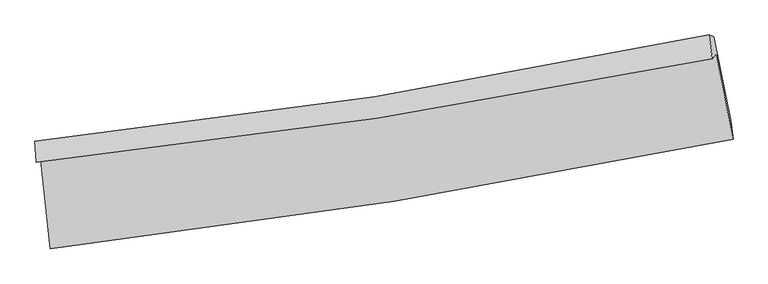
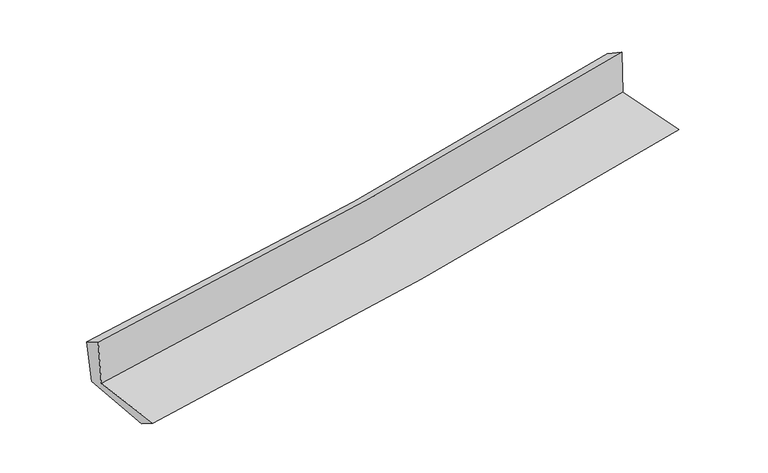
"""IFC4 building model written with IfcOpenShell, lengths in millimetres: proxy geometry."""

import ifcopenshell
import ifcopenshell.guid

model = None  # the IFC model being written
_history = None  # IfcOwnerHistory: only IFC2X3 demands one
_inside = {}  # id of a spatial element -> (the spatial element, [elements in it])
_under = {}  # id of a project, library or spatial element -> (it, [spatial elements below it])
_declared = {}  # id of a project -> (the project, [libraries it declares])
_typed = {}  # id of a type object -> (the type object, [elements of that type])
_made_of = {}  # id of a material, layer set ... -> (it, [elements and type objects made of it])


def new_model(schema):
    """Start an empty IFC model of exactly this schema.

    Asked for "IFC4X3", IfcOpenShell would pick the latest addendum, in which some entities
    have other attributes; the version numbers below select the first issue.
    IFC2X3 requires an IfcOwnerHistory on every rooted entity: one is made here for all.
    """
    global model, _history
    if schema == "IFC4X3":
        model = ifcopenshell.file(schema_version=(4, 3, 0, 0))
    else:
        model = ifcopenshell.file(schema=schema)
    _inside.clear()
    _under.clear()
    _declared.clear()
    _typed.clear()
    _made_of.clear()
    _history = None
    if model.schema == "IFC2X3":
        org = make("IfcOrganization", Name="unknown")
        user = make(
            "IfcPersonAndOrganization",
            ThePerson=make("IfcPerson", FamilyName="unknown"),
            TheOrganization=org,
        )
        app = make(
            "IfcApplication",
            ApplicationDeveloper=org,
            Version="unknown",
            ApplicationFullName="unknown",
            ApplicationIdentifier="unknown",
        )
        _history = make(
            "IfcOwnerHistory",
            OwningUser=user,
            OwningApplication=app,
            ChangeAction="ADDED",
            CreationDate=0,
        )
    return model


def make(cls, **values):
    """One entity of the class cls with the attributes given. An attribute that is None is left unset."""
    return model.create_entity(
        cls, **{name: value for name, value in values.items() if value is not None}
    )


def rooted(cls, **values):
    """An entity with a GlobalId (a new one), such as an element, a storey or a relation."""
    return make(cls, GlobalId=ifcopenshell.guid.new(), OwnerHistory=_history, **values)


def si_unit(unit_type, name, prefix=None):
    """IfcSIUnit, for example si_unit("LENGTHUNIT", "METRE", prefix="MILLI")."""
    return make("IfcSIUnit", UnitType=unit_type, Prefix=prefix, Name=name)


def assignment(units):
    """IfcUnitAssignment: the units of a project."""
    return None if units is None else make("IfcUnitAssignment", Units=units)


def point(xyz):
    """IfcCartesianPoint."""
    return None if xyz is None else make("IfcCartesianPoint", Coordinates=xyz)


def direction(xyz):
    """IfcDirection."""
    return None if xyz is None else make("IfcDirection", DirectionRatios=xyz)


def frame(location, z_axis=None, x_axis=None):
    """IfcAxis2Placement3D, a coordinate frame: its origin and axes. An axis left out is left unset."""
    return make(
        "IfcAxis2Placement3D",
        Location=point(location),
        Axis=direction(z_axis),
        RefDirection=direction(x_axis),
    )


def origin():
    """The frame at (0, 0, 0) with its axes left unset."""
    return frame((0.0, 0.0, 0.0))


def place(relative_to, where):
    """IfcLocalPlacement: puts the frame where relative to a parent placement (None: the world)."""
    return make(
        "IfcLocalPlacement", PlacementRelTo=relative_to, RelativePlacement=where
    )


def context(
    kind, dimensions, precision=None, world=None, true_north=None, identifier=None
):
    """IfcGeometricRepresentationContext, for example the 3D "Model" context."""
    return make(
        "IfcGeometricRepresentationContext",
        ContextIdentifier=identifier,
        ContextType=kind,
        CoordinateSpaceDimension=dimensions,
        Precision=precision,
        WorldCoordinateSystem=world,
        TrueNorth=true_north,
    )


def project(units=None, contexts=None):
    """IfcProject with its units and contexts."""
    return rooted(
        "IfcProject",
        Name="project",
        RepresentationContexts=contexts,
        UnitsInContext=assignment(units),
    )


def spatial(cls, under=None, at=None, **own):
    """A site, building, storey or space (cls), placed at a placement, below another one or the project."""
    s = rooted(cls, ObjectPlacement=at, **own)
    if under is not None:
        _under.setdefault(under.id(), (under, []))[1].append(s)
    return s


def shape(context_of_items, identifier, shape_type, items):
    """IfcShapeRepresentation: the items that make up one representation, for example the "Body"."""
    return make(
        "IfcShapeRepresentation",
        ContextOfItems=context_of_items,
        RepresentationIdentifier=identifier,
        RepresentationType=shape_type,
        Items=items,
    )


def source(mapping_origin, context_of_items, identifier, shape_type, items):
    """IfcRepresentationMap: a shape defined once, which mapped items show again and again."""
    return make(
        "IfcRepresentationMap",
        MappingOrigin=mapping_origin,
        MappedRepresentation=shape(context_of_items, identifier, shape_type, items),
    )


def transform(
    local_origin,
    x_axis=None,
    y_axis=None,
    z_axis=None,
    scale=None,
    scale2=None,
    scale3=None,
    uniform=True,
):
    """IfcCartesianTransformationOperator3D, or its non-uniform kind. x_axis, y_axis, z_axis: its Axis1, 2, 3."""
    if uniform:
        return make(
            "IfcCartesianTransformationOperator3D",
            Axis1=direction(x_axis),
            Axis2=direction(y_axis),
            LocalOrigin=point(local_origin),
            Scale=scale,
            Axis3=direction(z_axis),
        )
    return make(
        "IfcCartesianTransformationOperator3DnonUniform",
        Axis1=direction(x_axis),
        Axis2=direction(y_axis),
        LocalOrigin=point(local_origin),
        Scale=scale,
        Axis3=direction(z_axis),
        Scale2=scale2,
        Scale3=scale3,
    )


def mapped(mapping_source, mapping_target):
    """IfcMappedItem: shows the shape of a source again, moved by a transform."""
    return make(
        "IfcMappedItem", MappingSource=mapping_source, MappingTarget=mapping_target
    )


def made_of(thing, what):
    """Note that an element or type object is made of a material, layer set ...; save() writes the relation."""
    if what is not None:
        _made_of.setdefault(what.id(), (what, []))[1].append(thing)
    return thing


def element(
    cls,
    number,
    at=None,
    inside=None,
    cuts=None,
    type_object=None,
    material=None,
    context=None,
    identifier="Body",
    shape_type=None,
    held_by="IfcProductDefinitionShape",
    body=None,
    shapes=None,
    **own,
):
    """One element of the class cls, such as IfcWall. Its Tag is "e" and its number.

    at: its placement. inside: the storey or other place that contains it. cuts: it is an
    opening in that element (IfcRelVoidsElement). A single representation is given by context,
    identifier, shape_type and body (its items); several are given by shapes. held_by: the class
    of the entity that holds the representations. save() writes the other relations.
    """
    e = rooted(cls, Tag="e%d" % number, ObjectPlacement=at, **own)
    if body is not None:
        shapes = [shape(context, identifier, shape_type, body)]
    if shapes is not None:
        e.Representation = make(held_by, Representations=shapes)
    if inside is not None:
        _inside.setdefault(inside.id(), (inside, []))[1].append(e)
    if cuts is not None:
        rooted(
            "IfcRelVoidsElement", RelatingBuildingElement=cuts, RelatedOpeningElement=e
        )
    if type_object is not None:
        _typed.setdefault(type_object.id(), (type_object, []))[1].append(e)
    return made_of(e, material)


def aggregate(whole, parts):
    """IfcRelAggregates: a whole, such as a stair, and the parts it consists of."""
    return rooted("IfcRelAggregates", RelatingObject=whole, RelatedObjects=parts)


def save(model, path):
    """Write the relations noted so far, then the file.

    IfcRelAggregates (storeys below a building ...), IfcRelContainedInSpatialStructure (elements
    in a storey), IfcRelDefinesByType, IfcRelAssociatesMaterial and IfcRelDeclares: one each for
    every whole, place, type object, material and project.
    """
    for whole, parts in _under.values():
        aggregate(whole, parts)
    for where, things in _inside.values():
        rooted(
            "IfcRelContainedInSpatialStructure",
            RelatedElements=things,
            RelatingStructure=where,
        )
    for kind, things in _typed.values():
        rooted("IfcRelDefinesByType", RelatedObjects=things, RelatingType=kind)
    for what, things in _made_of.values():
        rooted("IfcRelAssociatesMaterial", RelatedObjects=things, RelatingMaterial=what)
    for by, libraries in _declared.values():
        rooted("IfcRelDeclares", RelatingContext=by, RelatedDefinitions=libraries)
    model.write(path)


def plane_surface(at):
    """IfcPlane: the flat surface through the origin of the frame at, square to its z axis."""
    return make("IfcPlane", Position=at)


def spline_curve(degree, points, multiplicities, knots, weights=None):
    """IfcBSplineCurveWithKnots; with weights, IfcRationalBSplineCurveWithKnots."""
    own = dict(
        Degree=degree,
        ControlPointsList=[point(p) for p in points],
        CurveForm="UNSPECIFIED",
        ClosedCurve=False,
        SelfIntersect=False,
        KnotMultiplicities=multiplicities,
        Knots=knots,
        KnotSpec="UNSPECIFIED",
    )
    if weights is None:
        return make("IfcBSplineCurveWithKnots", **own)
    return make("IfcRationalBSplineCurveWithKnots", WeightsData=weights, **own)


def spline_surface(u_degree, v_degree, points, u_multiplicities, v_multiplicities, u_knots, v_knots, weights=None):
    """IfcBSplineSurfaceWithKnots; with weights, IfcRationalBSplineSurfaceWithKnots. points: one row for each step in u."""
    own = dict(
        UDegree=u_degree,
        VDegree=v_degree,
        ControlPointsList=[[point(p) for p in row] for row in points],
        SurfaceForm="UNSPECIFIED",
        UClosed=False,
        VClosed=False,
        SelfIntersect=False,
        UMultiplicities=u_multiplicities,
        VMultiplicities=v_multiplicities,
        UKnots=u_knots,
        VKnots=v_knots,
        KnotSpec="UNSPECIFIED",
    )
    if weights is None:
        return make("IfcBSplineSurfaceWithKnots", **own)
    return make("IfcRationalBSplineSurfaceWithKnots", WeightsData=weights, **own)


def advanced_brep(points, edges, surfaces, faces):
    """IfcAdvancedBrep: a solid bounded by faces that lie on surfaces and meet in shared edges.

    An edge is (start, end): straight between two places in points (the first is 0);
    or (start, end, curve); or (start, end, curve, False) where it runs against its curve.
    A face is (place in surfaces, loops), or (place, loops, False) where it looks against
    its surface's normal. A loop lists edges by number (the first is 1), with a minus sign
    where the edge is run from its end to its start. The first loop is the outer one.
    """
    corners = [point(p) for p in points]
    vertices = [make("IfcVertexPoint", VertexGeometry=c) for c in corners]
    made = []
    for start, end, *more in edges:
        made.append(
            make(
                "IfcEdgeCurve",
                EdgeStart=vertices[start],
                EdgeEnd=vertices[end],
                EdgeGeometry=more[0] if more else make("IfcPolyline", Points=[corners[start], corners[end]]),
                SameSense=more[1] if len(more) > 1 else True,
            )
        )
    hull = []
    for where, loops, *sense in faces:
        bounds = []
        for j, loop in enumerate(loops):
            ring = [make("IfcOrientedEdge", EdgeElement=made[abs(k) - 1], Orientation=k > 0) for k in loop]
            bounds.append(
                make(
                    "IfcFaceOuterBound" if j == 0 else "IfcFaceBound",
                    Bound=make("IfcEdgeLoop", EdgeList=ring),
                    Orientation=True,
                )
            )
        hull.append(make("IfcAdvancedFace", Bounds=bounds, FaceSurface=surfaces[where], SameSense=sense[0] if sense else True))
    return make("IfcAdvancedBrep", Outer=make("IfcClosedShell", CfsFaces=hull))


def generic_models_6c41399b(model_context):
    return source(origin(), model_context, "Body", "AdvancedBrep", [
        advanced_brep(
        [(-2625.7521239, -1884.234979, 1633.6935044), (-2552.5668736, -2563.3789356, 1640.2907297), (2696.6879397, -1723.1192968, 2103.3209308), (2566.9727509, -1063.463254, 2106.8740244), (-2660.4576577, -1897.5272586, 2045.5431562), (2537.4614831, -1105.2285085, 2523.0370463), (-2670.1632739, -1736.4045254, 1956.7400184), (2511.8671914, -920.3719894, 2405.3106245), (-2635.5231297, -1747.6675028, 1576.0209814), (2548.2877952, -935.723008, 2036.5455769), (-2560.8508419, -2404.6673855, 1538.2744025), (2677.1159943, -1577.3450257, 2003.7376933)],
        [
            (0, 1),
            (1, 2, spline_curve(3, [(-2552.5668736, -2563.3789356, 1640.2907297), (-1668.738363007, -2461.840832878, 1720.531860962), (-787.795636455, -2340.72244867, 1799.374406754), (961.91402573, -2060.35132131, 1953.697479959), (1830.722903479, -1901.383159216, 2029.1983344), (2696.6879397, -1723.1192968, 2103.3209308)], [4, 2, 4], [0.0, 8.741100527552337, 17.41844669146503])),
            (2, 3),
            (3, 0, spline_curve(3, [(2566.9727509, -1063.463254, 2106.8740244), (1711.541301379, -1244.783633795, 2032.74719143), (852.694900663, -1403.673521592, 1956.404531409), (-878.163025752, -1677.594911093, 1798.710371576), (-1750.224916725, -1792.295598229, 1717.326191408), (-2625.7521239, -1884.234979, 1633.6935044)], [4, 2, 4], [0.0, 8.677346163912691, 17.41844669146503])),
            (4, 0),
            (3, 5),
            (5, 4, spline_curve(3, [(2537.4614831, -1105.2285085, 2523.0370463), (1680.60321159, -1278.094224285, 2443.436857677), (820.611096141, -1430.385897169, 2363.990682353), (-911.982398091, -1694.78891532, 2204.823780756), (-1784.629996256, -1806.596825659, 2125.105326297), (-2660.4576577, -1897.5272586, 2045.5431562)], [4, 2, 4], [0.0, 8.63124928194121, 17.32591424362951])),
            (6, 4),
            (5, 7),
            (7, 6, spline_curve(3, [(2511.8671914, -920.3719894, 2405.3106245), (1658.869846862, -1101.853180139, 2330.216660011), (802.12964222, -1260.431721046, 2255.424505679), (-925.158645045, -1532.780344257, 2105.896518834), (-1795.761928646, -1646.212648682, 2031.16513808), (-2670.1632739, -1736.4045254, 1956.7400184)], [4, 2, 4], [0.0, 8.62034040488119, 17.304016339599364])),
            (8, 6),
            (7, 9),
            (9, 8, spline_curve(3, [(2548.2877952, -935.723008, 2036.5455769), (1695.650493888, -1121.494411968, 1959.666575709), (838.943682376, -1281.8877301, 1882.989748771), (-888.933274027, -1552.910181598, 1729.478568804), (-1760.163437169, -1663.165028308, 1652.647196707), (-2635.5231297, -1747.6675028, 1576.0209814)], [4, 2, 4], [0.0, 8.611016405346998, 17.285299835063334])),
            (10, 8),
            (9, 11),
            (11, 10, spline_curve(3, [(2677.1159943, -1577.3450257, 2003.7376933), (1813.27977883, -1753.820531445, 1926.428335484), (946.472998761, -1910.821013264, 1849.126992169), (-799.472135297, -2186.882359211, 1693.972443407), (-1678.654300789, -2305.655997133, 1616.119356772), (-2560.8508419, -2404.6673855, 1538.2744025)], [4, 2, 4], [0.0, 8.658055615039432, 17.379723861829007])),
            (1, 10),
            (11, 2),
        ],
        [
            spline_surface(3, 3, [[(-2625.7521239, -1884.234979, 1633.6935044), (-1750.224916697, -1792.295598084, 1717.326191341), (-878.163025778, -1677.594911004, 1798.710371459), (852.694900689, -1403.67352168, 1956.404531525), (1711.541301372, -1244.783633784, 2032.747191385), (2566.9727509, -1063.463254, 2106.8740244)], [(-2601.357040464, -2110.616297862, 1635.892579517), (-1723.062732177, -2015.477343026, 1718.394747873), (-848.040562696, -1898.637423559, 1798.931716566), (889.101275703, -1622.566121561, 1955.502181012), (1751.268502103, -1463.650142302, 2031.564239072), (2610.211147172, -1283.348601615, 2105.689659844)], [(-2576.961957036, -2336.997616738, 1638.091654583), (-1695.900547665, -2238.659087983, 1719.463304354), (-817.918099577, -2119.679936109, 1799.153061646), (925.507650755, -1841.458721435, 1954.599830473), (1790.995702819, -1682.516650774, 2030.381286829), (2653.449543428, -1503.233949185, 2104.505295356)], [(-2552.5668736, -2563.3789356, 1640.2907297), (-1668.738363145, -2461.840832926, 1720.531860886), (-787.795636495, -2340.722448665, 1799.374406753), (961.91402577, -2060.351321315, 1953.69747996), (1830.722903551, -1901.383159292, 2029.198334516), (2696.6879397, -1723.1192968, 2103.3209308)]], [4, 4], [4, 2, 4], [0.0, 2.1896965672810573], [0.0, 8.741100527552337, 17.41844669146503]),
            spline_surface(3, 3, [[(-2660.4576577, -1897.5272586, 2045.5431562), (-1784.629996282, -1806.596825726, 2125.105326203), (-911.982398146, -1694.788915242, 2204.823780823), (820.611096194, -1430.385897247, 2363.990682287), (1680.603211684, -1278.094224371, 2443.43685774), (2537.4614831, -1105.2285085, 2523.0370463)], [(-2648.889146443, -1893.096498746, 1908.259938925), (-1773.16163643, -1801.829749858, 1989.178947907), (-900.709274024, -1689.057580523, 2069.452644361), (831.305697691, -1421.481772085, 2228.128632025), (1690.915908248, -1266.99069418, 2306.54030231), (2547.298572369, -1091.306757004, 2384.316039022)], [(-2637.320635157, -1888.665738854, 1770.976721675), (-1761.693276549, -1797.062673952, 1853.252569637), (-889.436149899, -1683.326245722, 1934.081507921), (842.000299192, -1412.577646842, 2092.266581786), (1701.228604807, -1255.887163976, 2169.643746814), (2557.135661631, -1077.385005496, 2245.595031678)], [(-2625.7521239, -1884.234979, 1633.6935044), (-1750.224916697, -1792.295598084, 1717.326191341), (-878.163025778, -1677.594911004, 1798.710371459), (852.694900689, -1403.67352168, 1956.404531525), (1711.541301372, -1244.783633784, 2032.747191385), (2566.9727509, -1063.463254, 2106.8740244)]], [4, 4], [4, 2, 4], [0.0, 1.341093533907105], [0.0, 8.694664961688298, 17.32591424362951]),
            spline_surface(3, 3, [[(-2670.1632739, -1736.4045254, 1956.7400184), (-1795.76192871, -1646.212648634, 2031.16513817), (-925.15864499, -1532.780344265, 2105.896518956), (802.129642165, -1260.431721038, 2255.424505558), (1658.869846891, -1101.853180075, 2330.216660103), (2511.8671914, -920.3719894, 2405.3106245)], [(-2666.928068496, -1790.112103135, 1986.341064348), (-1792.051284563, -1699.674041, 2062.478534195), (-920.766562713, -1586.783201233, 2138.872272926), (808.290126837, -1317.083113083, 2291.613231148), (1666.114301819, -1160.600194839, 2367.956725958), (2520.398621964, -981.990829099, 2444.552765076)], [(-2663.692863104, -1843.819680865, 2015.942110252), (-1788.340640429, -1753.13543336, 2093.791930178), (-916.374480423, -1640.786058274, 2171.848026853), (814.450611522, -1373.734505201, 2327.801956696), (1673.358756755, -1219.347209607, 2405.696791884), (2528.930052536, -1043.609668801, 2483.794905724)], [(-2660.4576577, -1897.5272586, 2045.5431562), (-1784.629996282, -1806.596825726, 2125.105326203), (-911.982398146, -1694.788915242, 2204.823780823), (820.611096194, -1430.385897247, 2363.990682287), (1680.603211684, -1278.094224371, 2443.43685774), (2537.4614831, -1105.2285085, 2523.0370463)]], [4, 4], [4, 2, 4], [0.0, 0.6441333602849443], [0.0, 8.683675934718174, 17.304016339599364]),
            spline_surface(3, 3, [[(-2635.5231297, -1747.6675028, 1576.0209814), (-1760.163437239, -1663.165028393, 1652.647196851), (-888.933273886, -1552.910181638, 1729.478568663), (838.943682236, -1281.88773006, 1882.989748911), (1695.650493846, -1121.494411846, 1959.666575615), (2548.2877952, -935.723008, 2036.5455769)], [(-2647.069844453, -1743.913177004, 1702.92732706), (-1772.029601083, -1657.514235145, 1778.819843951), (-901.008397574, -1546.200235858, 1854.951218751), (826.672335559, -1274.735727064, 2007.134667783), (1683.390278165, -1114.947334575, 2083.183270464), (2536.147593905, -930.606001786, 2159.467259453)], [(-2658.616559147, -1740.158851196, 1829.83367274), (-1783.895764866, -1651.863441883, 1904.99249107), (-913.083521302, -1539.490290045, 1980.423868868), (814.400988842, -1267.583724034, 2131.279586685), (1671.130062571, -1108.400257346, 2206.699965254), (2524.007392695, -925.488995614, 2282.388941947)], [(-2670.1632739, -1736.4045254, 1956.7400184), (-1795.76192871, -1646.212648634, 2031.16513817), (-925.15864499, -1532.780344265, 2105.896518956), (802.129642165, -1260.431721038, 2255.424505558), (1658.869846891, -1101.853180075, 2330.216660103), (2511.8671914, -920.3719894, 2405.3106245)]], [4, 4], [4, 2, 4], [0.0, 1.2361919355318673], [0.0, 8.674283429716336, 17.285299835063334]),
            spline_surface(3, 3, [[(-2560.8508419, -2404.6673855, 1538.2744025), (-1678.654300767, -2305.655997183, 1616.119356632), (-799.472135401, -2186.882359122, 1693.972443549), (946.472998864, -1910.821013352, 1849.126992029), (1813.279778897, -1753.820531495, 1926.428335357), (2677.1159943, -1577.3450257, 2003.7376933)], [(-2585.741604492, -2185.667424594, 1550.85659547), (-1705.824012917, -2091.492340914, 1628.295303374), (-829.292514882, -1975.558299952, 1705.807818576), (910.629893336, -1701.17658558, 1860.414577645), (1774.070017222, -1543.045158299, 1937.507748761), (2634.173261275, -1363.47101982, 2014.673654485)], [(-2610.632367108, -1966.667463706, 1563.43878843), (-1732.993725089, -1877.328684662, 1640.471250108), (-859.112894405, -1764.234240808, 1717.643193636), (874.786787765, -1491.532157833, 1871.702163295), (1734.860255521, -1332.269785043, 1948.587162211), (2591.230528225, -1149.59701388, 2025.609615715)], [(-2635.5231297, -1747.6675028, 1576.0209814), (-1760.163437239, -1663.165028393, 1652.647196851), (-888.933273886, -1552.910181638, 1729.478568663), (838.943682236, -1281.88773006, 1882.989748911), (1695.650493846, -1121.494411846, 1959.666575615), (2548.2877952, -935.723008, 2036.5455769)]], [4, 4], [4, 2, 4], [0.0, 2.0998602241706386], [0.0, 8.721668246789575, 17.379723861829007]),
            spline_surface(3, 3, [[(-2552.5668736, -2563.3789356, 1640.2907297), (-1668.738363145, -2461.840832926, 1720.531860886), (-787.795636495, -2340.722448665, 1799.374406753), (961.91402577, -2060.351321315, 1953.69747996), (1830.722903551, -1901.383159292, 2029.198334516), (2696.6879397, -1723.1192968, 2103.3209308)], [(-2555.328196352, -2510.475085559, 1606.285287281), (-1672.04367567, -2409.779221004, 1685.727692782), (-791.687802806, -2289.44241881, 1764.240419024), (956.767016792, -2010.50788532, 1918.840650656), (1824.908528681, -1852.195616669, 1994.94166815), (2690.163957915, -1674.527873076, 2070.12651832)], [(-2558.089519148, -2457.571235541, 1572.279844919), (-1675.348988241, -2357.717609105, 1650.923524735), (-795.57996909, -2238.162388978, 1729.106431277), (951.620007842, -1960.664449348, 1883.983821333), (1819.094153766, -1803.008074118, 1960.685001724), (2683.639976085, -1625.936449424, 2036.93210578)], [(-2560.8508419, -2404.6673855, 1538.2744025), (-1678.654300767, -2305.655997183, 1616.119356632), (-799.472135401, -2186.882359122, 1693.972443549), (946.472998864, -1910.821013352, 1849.126992029), (1813.279778897, -1753.820531495, 1926.428335357), (2677.1159943, -1577.3450257, 2003.7376933)]], [4, 4], [4, 2, 4], [0.0, 0.6069056252897558], [0.0, 8.77759020112582, 17.491159896389885]),
            plane_surface(frame((2589.7321924, -1220.8751804, 2196.4709827), z_axis=(0.977444770129256, 0.1917283877070563, 0.08855476663748044), x_axis=(-0.09820129186325895, 0.041391127580760585, 0.9943054263323621))),
            plane_surface(frame((-2617.5523168, -2038.9800978, 1731.7604654), z_axis=(-0.9903898218681515, -0.10756985961141535, -0.08692943139784134), x_axis=(-0.10713574335911875, 0.9941974964757236, -0.009657665157412261))),
        ],
        [
            (0, [[1, 2, 3, 4]]),
            (1, [[5, -4, 6, 7]]),
            (2, [[8, -7, 9, 10]]),
            (3, [[11, -10, 12, 13]]),
            (4, [[14, -13, 15, 16]]),
            (5, [[17, -16, 18, -2]]),
            (6, [[-12, -9, -6, -3, -18, -15]]),
            (7, [[-1, -5, -8, -11, -14, -17]]),
        ],
    ),
    ])


if __name__ == "__main__":
    model = new_model("IFC4")
    model_context = context("Model", 3, world=origin())
    ifc_project = project(units=[si_unit("LENGTHUNIT", "METRE", prefix="MILLI")], contexts=[model_context])
    site = spatial("IfcSite", under=ifc_project)
    building = spatial("IfcBuilding", under=site)
    placement = place(None, origin())
    generic_models_shape = generic_models_6c41399b(model_context)
    element("IfcBuildingElementProxy", 1, Name="Generic Models", at=placement, inside=building, context=model_context, shape_type="MappedRepresentation", body=[
        mapped(generic_models_shape, transform((0.0, 0.0, 0.0), x_axis=(1.0, 0.0, 0.0), y_axis=(0.0, 1.0, 0.0), z_axis=(0.0, 0.0, 1.0))),
    ])
    save(model, "model.ifc")
